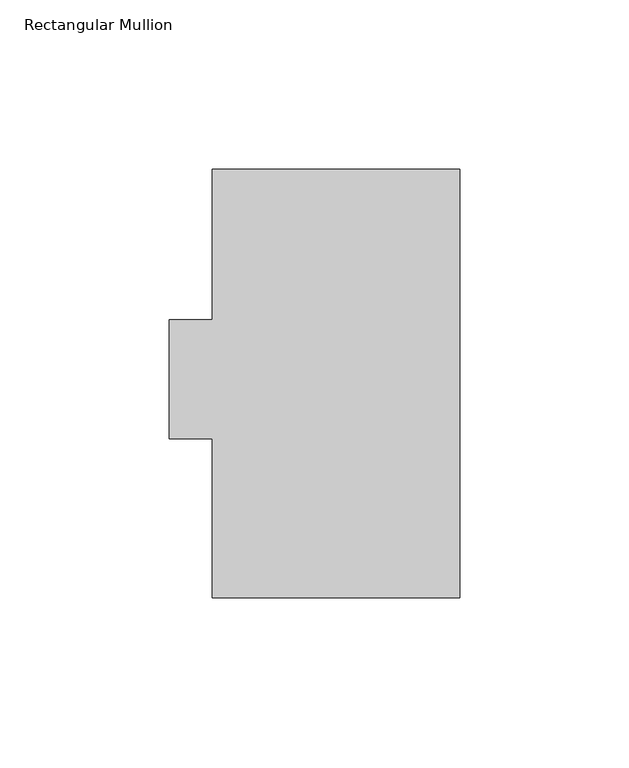
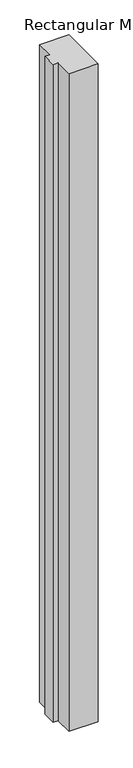
"""IFC4 building model written with IfcOpenShell, lengths in millimetres: member geometry, Rectangular Mullion."""

from ifc_helpers import new_model, si_unit, frame, origin, place, context, project, spatial, polyline, outline, extrude, source, transform, mapped, element, save


def rectangular_mullion_763c7191(model_context):
    return source(origin(), model_context, "Body", "SweptSolid", [
        extrude(outline(polyline([(-73.025, 126.46025), (0.0, 126.46025), (0.0, -0.03175), (-73.025, -0.03175), (-73.025, 46.83125), (-85.725, 46.83125), (-85.725, 82.01025), (-73.025, 82.01025), (-73.025, 126.46025)])), frame((0.0, 0.0, -1739.9), z_axis=(0.0, 0.0, 1.0), x_axis=(1.0, 0.0, 0.0)), (0.0, 0.0, 1.0), 1739.9),
    ])


if __name__ == "__main__":
    model = new_model("IFC4")
    model_context = context("Model", 3, world=origin())
    ifc_project = project(units=[si_unit("LENGTHUNIT", "METRE", prefix="MILLI")], contexts=[model_context])
    site = spatial("IfcSite", under=ifc_project)
    building = spatial("IfcBuilding", under=site)
    placement = place(None, origin())
    rectangular_mullion_shape = rectangular_mullion_763c7191(model_context)
    element("IfcMember", 1, ObjectType="Rectangular Mullion", at=placement, inside=building, context=model_context, shape_type="MappedRepresentation", body=[
        mapped(rectangular_mullion_shape, transform((0.0, 0.0, 0.0), x_axis=(1.0, 0.0, 0.0), y_axis=(0.0, 1.0, 0.0), z_axis=(0.0, 0.0, 1.0))),
    ])
    save(model, "model.ifc")
